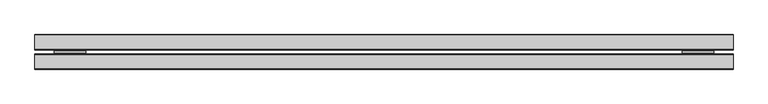
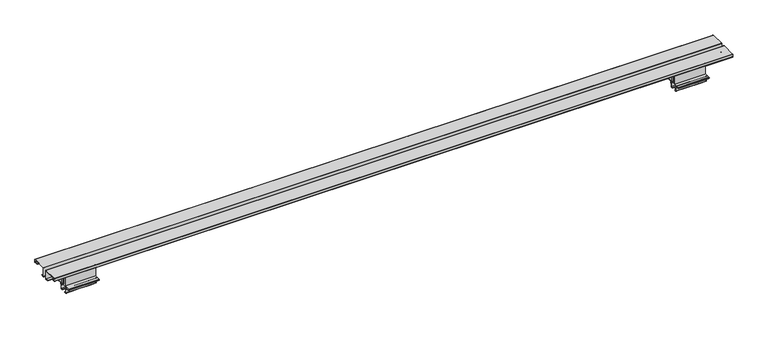
"""IFC4 building model written with IfcOpenShell, lengths in millimetres: furniture geometry."""

from ifc_helpers import new_model, si_unit, point, frame, frame_2d, origin, place, context, project, spatial, polyline, circle_curve, trimmed, segment, composite_curve, outline, extrude, source, transform, mapped, element, save
from ifc_brep_helpers import plane_surface, cylinder_surface, revolved_surface, advanced_brep


def furniture_54906576(model_context):
    return source(origin(), model_context, "Body", "SolidModel", [
        extrude(outline(composite_curve([segment(polyline([(-46.1411741, 702.8916589), (-52.5216442, 702.8916589), (-52.5216442, 703.6790589), (-46.1411741, 703.6790589)]), True, "CONTINUOUS"), segment(trimmed(circle_curve(frame_2d((-46.1411741, 702.0331315)), 1.6459275), [point((-46.1411741, 703.6790589))], [point((-44.4952466, 702.0331315))], False, "CARTESIAN"), True, "CONTINUOUS"), segment(polyline([(-44.4952466, 702.0331315), (-44.4952466, 697.8070787), (-42.3108667, 693.0826267), (-42.3108667, 676.9328601), (-35.9226813, 676.9328601), (-35.9226813, 693.0826267), (-33.7383014, 697.8070787), (-33.7383014, 702.0331315)]), True, "CONTINUOUS"), segment(trimmed(circle_curve(frame_2d((-32.0923739, 702.0331315)), 1.6459275), [point((-33.7383014, 702.0331315))], [point((-32.0923739, 703.6790589))], False, "CARTESIAN"), True, "CONTINUOUS"), segment(polyline([(-32.0923739, 703.6790589), (-25.7119037, 703.6790589), (-25.7119037, 702.8916589), (-32.0923739, 702.8916589)]), True, "CONTINUOUS"), segment(trimmed(circle_curve(frame_2d((-32.0923739, 702.0331315)), 0.8585275), [point((-32.0923739, 702.8916589))], [point((-32.9509014, 702.0331315))], True, "CARTESIAN"), True, "CONTINUOUS"), segment(polyline([(-32.9509014, 702.0331315), (-32.9509014, 675.9168565), (-45.2826466, 675.9168565), (-45.2826466, 702.0331315)]), True, "CONTINUOUS"), segment(trimmed(circle_curve(frame_2d((-46.1411741, 702.0331315)), 0.8585275), [point((-45.2826466, 702.0331315))], [point((-46.1411741, 702.8916589))], True, "CARTESIAN"), True, "CONTINUOUS")], self_intersect=False)), frame((1412.7479964, 0.0, 0.0), z_axis=(1.0, 0.0, 0.0), x_axis=(0.0, 1.0, 0.0)), (0.0, 0.0, 1.0), 68.5800073),
        advanced_brep(
        [(1481.3280036, -43.8856479, 660.829258), (1481.3280036, -43.8856479, 661.616658), (1481.3280036, -47.4162484, 661.616658), (1481.3280036, -47.4162484, 669.6106033), (1481.3280036, -48.2566383, 671.0661978), (1481.3280036, -49.1307467, 671.5708621), (1481.3280036, -49.1307467, 673.5566648), (1481.3280036, -50.5257409, 674.9516589), (1481.3280036, -56.9931108, 674.9516589), (1481.3280036, -57.8998062, 674.1352668), (1481.3280036, -58.5922468, 675.1241745), (1481.3280036, -58.5922468, 675.9168565), (1481.3280036, -19.6540457, 675.9168565), (1481.3280036, -19.6540457, 675.1059735), (1481.3280036, -20.3337418, 674.1352668), (1481.3280036, -21.2404371, 674.9516589), (1481.3280036, -27.8273525, 674.9516589), (1481.3280036, -29.1155469, 673.6634645), (1481.3280036, -29.1155469, 671.5708621), (1481.3280036, -30.0322406, 671.0416113), (1481.3280036, -30.8300452, 669.6597765), (1481.3280036, -30.8300452, 661.616658), (1481.3280036, -34.3606457, 661.616658), (1481.3280036, -34.3606457, 660.829258), (1481.3280036, -30.560857, 660.829258), (1481.3280036, -30.0426452, 661.3474698), (1481.3280036, -30.0426452, 669.6597765), (1481.3280036, -29.6385421, 670.359702), (1481.3280036, -28.7038003, 670.8993728), (1481.3280036, -28.3281469, 671.5500221), (1481.3280036, -28.3281469, 673.6634645), (1481.3280036, -27.8273525, 674.1642589), (1481.3280036, -21.5426917, 674.1642589), (1481.3280036, -20.7678586, 673.4665961), (1481.3280036, -19.8407122, 673.4665961), (1481.3280036, -18.8666457, 674.8577072), (1481.3280036, -18.8666457, 676.2049721), (1481.3280036, -19.36593, 676.7042565), (1481.3280036, -58.8676179, 676.7042565), (1481.3280036, -59.3796468, 676.1922276), (1481.3280036, -59.3796468, 674.8759082), (1481.3280036, -58.3928358, 673.4665961), (1481.3280036, -57.4656894, 673.4665961), (1481.3280036, -56.6908563, 674.1642589), (1481.3280036, -50.5257409, 674.1642589), (1481.3280036, -49.9181467, 673.5566648), (1481.3280036, -49.9181467, 671.5886146), (1481.3280036, -49.5090711, 670.8800766), (1481.3280036, -48.6503368, 670.3842885), (1481.3280036, -48.2036484, 669.6106033), (1481.3280036, -48.2036484, 661.2102576), (1481.3280036, -47.672691, 660.829258), (1412.7479964, -43.8856479, 660.829258), (1412.7479964, -47.672691, 660.829258), (1412.7479964, -48.1909027, 661.3474698), (1412.7479964, -48.2036484, 669.6106033), (1412.7479964, -48.6503368, 670.3842885), (1412.7479964, -49.5090711, 670.8800766), (1412.7479964, -49.9181467, 671.5886146), (1412.7479964, -49.9181467, 673.5566648), (1412.7479964, -50.5257409, 674.1642589), (1412.7479964, -56.6908563, 674.1642589), (1412.7479964, -57.4656894, 673.4665961), (1412.7479964, -58.3928358, 673.4665961), (1412.7479964, -59.3796468, 674.8759082), (1412.7479964, -59.3796468, 676.1922276), (1412.7479964, -58.8676179, 676.7042565), (1412.7479964, -19.36593, 676.7042565), (1412.7479964, -18.8666457, 676.2049721), (1412.7479964, -18.8666457, 674.8577072), (1412.7479964, -19.8407122, 673.4665961), (1412.7479964, -20.7678586, 673.4665961), (1412.7479964, -21.5426917, 674.1642589), (1412.7479964, -27.8273525, 674.1642589), (1412.7479964, -28.3281469, 673.6634645), (1412.7479964, -28.3281469, 671.5500221), (1412.7479964, -28.7038003, 670.8993728), (1412.7479964, -29.6385421, 670.359702), (1412.7479964, -30.0426452, 669.6597765), (1412.7479964, -30.0426452, 661.3474698), (1412.7479964, -30.560857, 660.829258), (1412.7479964, -34.3606457, 660.829258), (1412.7479964, -34.3606457, 661.616658), (1412.7479964, -30.8300452, 661.616658), (1412.7479964, -30.8300452, 669.6597765), (1412.7479964, -30.0322406, 671.0416113), (1412.7479964, -29.1155469, 671.5708621), (1412.7479964, -29.1155469, 673.6634645), (1412.7479964, -27.8273525, 674.9516589), (1412.7479964, -21.2404371, 674.9516589), (1412.7479964, -20.3337418, 674.1352668), (1412.7479964, -19.6540457, 675.1059735), (1412.7479964, -19.6540457, 675.9168565), (1412.7479964, -58.5922468, 675.9168565), (1412.7479964, -58.5922468, 675.1241745), (1412.7479964, -57.8998062, 674.1352668), (1412.7479964, -56.9931108, 674.9516589), (1412.7479964, -50.5257409, 674.9516589), (1412.7479964, -49.1307467, 673.5566648), (1412.7479964, -49.1307467, 671.5708621), (1412.7479964, -48.2566383, 671.0661978), (1412.7479964, -47.4162484, 669.6106033), (1412.7479964, -47.4162484, 661.616658), (1412.7479964, -43.8856479, 661.616658)],
        [
            (0, 1),
            (1, 2),
            (2, 3),
            (3, 4, circle_curve(frame((1481.3280036, -49.097022, 669.6106033), z_axis=(1.0, 0.0, 0.0), x_axis=(0.0, 1.0, 0.0)), 1.6807736)),
            (4, 5),
            (5, 6),
            (6, 7, circle_curve(frame((1481.3280036, -50.5257409, 673.5566648), z_axis=(1.0, 0.0, 0.0), x_axis=(0.0, 1.0, 0.0)), 1.3949941)),
            (7, 8),
            (8, 9),
            (9, 10),
            (10, 11),
            (11, 12),
            (12, 13),
            (13, 14),
            (14, 15),
            (15, 16),
            (16, 17, circle_curve(frame((1481.3280036, -27.8273525, 673.6634645), z_axis=(1.0, 0.0, 0.0), x_axis=(0.0, 1.0, 0.0)), 1.2881944)),
            (17, 18),
            (18, 19),
            (19, 20, circle_curve(frame((1481.3280036, -29.2344419, 669.6597765), z_axis=(1.0, 0.0, 0.0), x_axis=(0.0, 1.0, 0.0)), 1.5956034)),
            (20, 21),
            (21, 22),
            (22, 23),
            (23, 24),
            (24, 25, circle_curve(frame((1481.3280036, -30.560857, 661.3474698), z_axis=(1.0, 0.0, 0.0), x_axis=(0.0, 1.0, 0.0)), 0.5182118)),
            (25, 26),
            (26, 27, circle_curve(frame((1481.3280036, -29.2344419, 669.6597765), z_axis=(-1.0, 0.0, 0.0), x_axis=(0.0, 1.0, 0.0)), 0.8082034)),
            (27, 28),
            (28, 29, circle_curve(frame((1481.3280036, -29.079451, 671.5500221), z_axis=(1.0, 0.0, 0.0), x_axis=(0.0, 1.0, 0.0)), 0.7513042)),
            (29, 30),
            (30, 31, circle_curve(frame((1481.3280036, -27.8273525, 673.6634645), z_axis=(-1.0, 0.0, 0.0), x_axis=(0.0, 1.0, 0.0)), 0.5007944)),
            (31, 32),
            (32, 33),
            (33, 34),
            (34, 35),
            (35, 36),
            (36, 37, circle_curve(frame((1481.3280036, -19.36593, 676.2049721), z_axis=(1.0, 0.0, 0.0), x_axis=(0.0, 1.0, 0.0)), 0.4992844)),
            (37, 38),
            (38, 39, circle_curve(frame((1481.3280036, -58.8676179, 676.1922276), z_axis=(1.0, 0.0, 0.0), x_axis=(0.0, 1.0, 0.0)), 0.5120288)),
            (39, 40),
            (40, 41),
            (41, 42),
            (42, 43),
            (43, 44),
            (44, 45, circle_curve(frame((1481.3280036, -50.5257409, 673.5566648), z_axis=(-1.0, 0.0, 0.0), x_axis=(0.0, 1.0, 0.0)), 0.6075941)),
            (45, 46),
            (46, 47, circle_curve(frame((1481.3280036, -49.0999985, 671.5886146), z_axis=(1.0, 0.0, 0.0), x_axis=(0.0, 1.0, 0.0)), 0.8181482)),
            (47, 48),
            (48, 49, circle_curve(frame((1481.3280036, -49.097022, 669.6106033), z_axis=(-1.0, 0.0, 0.0), x_axis=(0.0, 1.0, 0.0)), 0.8933736)),
            (49, 50),
            (50, 51, circle_curve(frame((1481.3280036, -47.672691, 661.3474698), z_axis=(1.0, 0.0, 0.0), x_axis=(0.0, 1.0, 0.0)), 0.5182118)),
            (51, 0),
            (52, 53),
            (53, 54, circle_curve(frame((1412.7479964, -47.672691, 661.3474698), z_axis=(-1.0, 0.0, 0.0), x_axis=(0.0, 1.0, 0.0)), 0.5182118)),
            (54, 55),
            (55, 56, circle_curve(frame((1412.7479964, -49.097022, 669.6106033), z_axis=(1.0, 0.0, 0.0), x_axis=(0.0, 1.0, 0.0)), 0.8933736)),
            (56, 57),
            (57, 58, circle_curve(frame((1412.7479964, -49.0999985, 671.5886146), z_axis=(-1.0, 0.0, 0.0), x_axis=(0.0, 1.0, 0.0)), 0.8181482)),
            (58, 59),
            (59, 60, circle_curve(frame((1412.7479964, -50.5257409, 673.5566648), z_axis=(1.0, 0.0, 0.0), x_axis=(0.0, 1.0, 0.0)), 0.6075941)),
            (60, 61),
            (61, 62),
            (62, 63),
            (63, 64),
            (64, 65),
            (65, 66, circle_curve(frame((1412.7479964, -58.8676179, 676.1922276), z_axis=(-1.0, 0.0, 0.0), x_axis=(0.0, 1.0, 0.0)), 0.5120288)),
            (66, 67),
            (67, 68, circle_curve(frame((1412.7479964, -19.36593, 676.2049721), z_axis=(-1.0, 0.0, 0.0), x_axis=(0.0, 1.0, 0.0)), 0.4992844)),
            (68, 69),
            (69, 70),
            (70, 71),
            (71, 72),
            (72, 73),
            (73, 74, circle_curve(frame((1412.7479964, -27.8273525, 673.6634645), z_axis=(1.0, 0.0, 0.0), x_axis=(0.0, 1.0, 0.0)), 0.5007944)),
            (74, 75),
            (75, 76, circle_curve(frame((1412.7479964, -29.079451, 671.5500221), z_axis=(-1.0, 0.0, 0.0), x_axis=(0.0, 1.0, 0.0)), 0.7513042)),
            (76, 77),
            (77, 78, circle_curve(frame((1412.7479964, -29.2344419, 669.6597765), z_axis=(1.0, 0.0, 0.0), x_axis=(0.0, 1.0, 0.0)), 0.8082034)),
            (78, 79),
            (79, 80, circle_curve(frame((1412.7479964, -30.560857, 661.3474698), z_axis=(-1.0, 0.0, 0.0), x_axis=(0.0, 1.0, 0.0)), 0.5182118)),
            (80, 81),
            (81, 82),
            (82, 83),
            (83, 84),
            (84, 85, circle_curve(frame((1412.7479964, -29.2344419, 669.6597765), z_axis=(-1.0, 0.0, 0.0), x_axis=(0.0, 1.0, 0.0)), 1.5956034)),
            (85, 86),
            (86, 87),
            (87, 88, circle_curve(frame((1412.7479964, -27.8273525, 673.6634645), z_axis=(-1.0, 0.0, 0.0), x_axis=(0.0, 1.0, 0.0)), 1.2881944)),
            (88, 89),
            (89, 90),
            (90, 91),
            (91, 92),
            (92, 93),
            (93, 94),
            (94, 95),
            (95, 96),
            (96, 97),
            (97, 98, circle_curve(frame((1412.7479964, -50.5257409, 673.5566648), z_axis=(-1.0, 0.0, 0.0), x_axis=(0.0, 1.0, 0.0)), 1.3949941)),
            (98, 99),
            (99, 100),
            (100, 101, circle_curve(frame((1412.7479964, -49.097022, 669.6106033), z_axis=(-1.0, 0.0, 0.0), x_axis=(0.0, 1.0, 0.0)), 1.6807736)),
            (101, 102),
            (102, 103),
            (103, 52),
            (51, 53),
            (52, 0),
            (50, 54),
            (49, 55),
            (48, 56),
            (47, 57),
            (46, 58),
            (45, 59),
            (44, 60),
            (43, 61),
            (42, 62),
            (41, 63),
            (40, 64),
            (39, 65),
            (38, 66),
            (37, 67),
            (36, 68),
            (35, 69),
            (34, 70),
            (33, 71),
            (32, 72),
            (31, 73),
            (30, 74),
            (29, 75),
            (28, 76),
            (27, 77),
            (26, 78),
            (25, 79),
            (24, 80),
            (23, 81),
            (22, 82),
            (21, 83),
            (20, 84),
            (19, 85),
            (18, 86),
            (17, 87),
            (16, 88),
            (15, 89),
            (14, 90),
            (13, 91),
            (12, 92),
            (11, 93),
            (10, 94),
            (9, 95),
            (8, 96),
            (7, 97),
            (6, 98),
            (5, 99),
            (4, 100),
            (3, 101),
            (2, 102),
            (1, 103),
        ],
        [
            plane_surface(frame((1481.3280036, -39.1358447, 638.40105), z_axis=(1.0, 0.0, 0.0), x_axis=(0.0, 0.0, 1.0))),
            plane_surface(frame((1412.7479964, -39.1358447, 638.40105), z_axis=(-1.0, 0.0, 0.0), x_axis=(0.0, 0.0, 1.0))),
            plane_surface(frame((1481.3280036, -43.8856479, 660.829258), z_axis=(0.0, 0.0, -1.0), x_axis=(-1.0, 0.0, 0.0))),
            cylinder_surface(frame((1481.3280036, -47.672691, 661.3474698), z_axis=(1.0, 0.0, 0.0), x_axis=(0.0, 1.0, 0.0)), 0.5182118),
            plane_surface(frame((1481.3280036, -48.2036484, 661.2102576), z_axis=(0.0, -1.0, 0.0), x_axis=(-1.0, 0.0, 0.0))),
            revolved_surface(polyline([(1412.7479964, -48.203648400000006, 669.6106033), (1481.3280036, -48.203648400000006, 669.6106033)]), (1481.3280036, -49.097022, 669.6106033), (-1.0, 0.0, 0.0)),
            plane_surface(frame((1481.3280036, -48.6503368, 670.3842885), z_axis=(0.0, -0.49999817066287033, -0.8660264599501468), x_axis=(-1.0, 0.0, 0.0))),
            cylinder_surface(frame((1481.3280036, -49.0999985, 671.5886146), z_axis=(1.0, 0.0, 0.0), x_axis=(0.0, 1.0, 0.0)), 0.8181482),
            plane_surface(frame((1481.3280036, -49.9181467, 671.5886146), z_axis=(0.0, -1.0, 0.0), x_axis=(-1.0, 0.0, 0.0))),
            revolved_surface(polyline([(1412.7479964, -49.9181468, 673.5566648), (1481.3280036, -49.9181468, 673.5566648)]), (1481.3280036, -50.5257409, 673.5566648), (-1.0, 0.0, 0.0)),
            plane_surface(frame((1481.3280036, -50.5257409, 674.1642589), z_axis=(0.0, 0.0, -1.0), x_axis=(-1.0, 0.0, 0.0))),
            plane_surface(frame((1481.3280036, -56.6908563, 674.1642589), z_axis=(0.0, 0.6691306063588597, -0.743144825477393), x_axis=(-1.0, 0.0, 0.0))),
            plane_surface(frame((1481.3280036, -57.4656894, 673.4665961), z_axis=(0.0, 0.0, -1.0), x_axis=(-1.0, 0.0, 0.0))),
            plane_surface(frame((1481.3280036, -58.3928358, 673.4665961), z_axis=(0.0, -0.8191520442889919, -0.5735764363510462), x_axis=(-1.0, 0.0, 0.0))),
            plane_surface(frame((1481.3280036, -59.3796468, 674.8759082), z_axis=(0.0, -1.0, 0.0), x_axis=(-1.0, 0.0, 0.0))),
            cylinder_surface(frame((1481.3280036, -58.8676179, 676.1922276), z_axis=(1.0, 0.0, 0.0), x_axis=(0.0, 1.0, 0.0)), 0.5120288),
            plane_surface(frame((1481.3280036, -58.8676179, 676.7042565), z_axis=(0.0, 0.0, 1.0), x_axis=(-1.0, 0.0, 0.0))),
            cylinder_surface(frame((1481.3280036, -19.36593, 676.2049721), z_axis=(1.0, 0.0, 0.0), x_axis=(0.0, 1.0, 0.0)), 0.4992844),
            plane_surface(frame((1481.3280036, -18.8666457, 676.2049721), z_axis=(0.0, 1.0, 0.0), x_axis=(-1.0, 0.0, 0.0))),
            plane_surface(frame((1481.3280036, -18.8666457, 674.8577072), z_axis=(0.0, 0.8191520442889919, -0.5735764363510462), x_axis=(-1.0, 0.0, 0.0))),
            plane_surface(frame((1481.3280036, -19.8407122, 673.4665961), z_axis=(0.0, 0.0, -1.0), x_axis=(-1.0, 0.0, 0.0))),
            plane_surface(frame((1481.3280036, -20.7678586, 673.4665961), z_axis=(0.0, -0.6691306063588597, -0.743144825477393), x_axis=(-1.0, 0.0, 0.0))),
            plane_surface(frame((1481.3280036, -21.5426917, 674.1642589), z_axis=(0.0, 0.0, -1.0), x_axis=(-1.0, 0.0, 0.0))),
            revolved_surface(polyline([(1412.7479964, -27.3265581, 673.6634645), (1481.3280036, -27.3265581, 673.6634645)]), (1481.3280036, -27.8273525, 673.6634645), (-1.0, 0.0, 0.0)),
            plane_surface(frame((1481.3280036, -28.3281469, 673.6634645), z_axis=(0.0, 1.0, 0.0), x_axis=(-1.0, 0.0, 0.0))),
            cylinder_surface(frame((1481.3280036, -29.079451, 671.5500221), z_axis=(1.0, 0.0, 0.0), x_axis=(0.0, 1.0, 0.0)), 0.7513042),
            plane_surface(frame((1481.3280036, -28.7038003, 670.8993728), z_axis=(0.0, 0.49999817066287033, -0.8660264599501468), x_axis=(-1.0, 0.0, 0.0))),
            revolved_surface(polyline([(1412.7479964, -28.4262385, 669.6597765), (1481.3280036, -28.4262385, 669.6597765)]), (1481.3280036, -29.2344419, 669.6597765), (-1.0, 0.0, 0.0)),
            plane_surface(frame((1481.3280036, -30.0426452, 669.6597765), z_axis=(0.0, 1.0, 0.0), x_axis=(-1.0, 0.0, 0.0))),
            cylinder_surface(frame((1481.3280036, -30.560857, 661.3474698), z_axis=(1.0, 0.0, 0.0), x_axis=(0.0, 1.0, 0.0)), 0.5182118),
            plane_surface(frame((1481.3280036, -30.560857, 660.829258), z_axis=(0.0, 0.0, -1.0), x_axis=(-1.0, 0.0, 0.0))),
            plane_surface(frame((1481.3280036, -34.3606457, 660.829258), z_axis=(0.0, -1.0, 0.0), x_axis=(-1.0, 0.0, 0.0))),
            plane_surface(frame((1481.3280036, -34.3606457, 661.616658), z_axis=(0.0, 0.0, 1.0), x_axis=(-1.0, 0.0, 0.0))),
            plane_surface(frame((1481.3280036, -30.8300452, 661.616658), z_axis=(0.0, -1.0, 0.0), x_axis=(-1.0, 0.0, 0.0))),
            cylinder_surface(frame((1481.3280036, -29.2344419, 669.6597765), z_axis=(1.0, 0.0, 0.0), x_axis=(0.0, 1.0, 0.0)), 1.5956034),
            plane_surface(frame((1481.3280036, -30.0322406, 671.0416113), z_axis=(0.0, -0.4999981706628693, 0.8660264599501475), x_axis=(-1.0, 0.0, 0.0))),
            plane_surface(frame((1481.3280036, -29.1155469, 671.5708621), z_axis=(0.0, -1.0, 0.0), x_axis=(-1.0, 0.0, 0.0))),
            cylinder_surface(frame((1481.3280036, -27.8273525, 673.6634645), z_axis=(1.0, 0.0, 0.0), x_axis=(0.0, 1.0, 0.0)), 1.2881944),
            plane_surface(frame((1481.3280036, -27.8273525, 674.9516589), z_axis=(0.0, 0.0, 1.0), x_axis=(-1.0, 0.0, 0.0))),
            plane_surface(frame((1481.3280036, -21.2404371, 674.9516589), z_axis=(0.0, 0.6691306063588597, 0.743144825477393), x_axis=(-1.0, 0.0, 0.0))),
            plane_surface(frame((1481.3280036, -20.3337418, 674.1352668), z_axis=(0.0, -0.819152044288992, 0.5735764363510457), x_axis=(-1.0, 0.0, 0.0))),
            plane_surface(frame((1481.3280036, -19.6540457, 675.1059735), z_axis=(0.0, -1.0, 0.0), x_axis=(-1.0, 0.0, 0.0))),
            plane_surface(frame((1481.3280036, -19.6540457, 675.9168565), z_axis=(0.0, 0.0, -1.0), x_axis=(-1.0, 0.0, 0.0))),
            plane_surface(frame((1481.3280036, -58.5922468, 675.9168565), z_axis=(0.0, 1.0, 0.0), x_axis=(-1.0, 0.0, 0.0))),
            plane_surface(frame((1481.3280036, -58.5922468, 675.1241745), z_axis=(0.0, 0.8191520442889909, 0.5735764363510474), x_axis=(-1.0, 0.0, 0.0))),
            plane_surface(frame((1481.3280036, -57.8998062, 674.1352668), z_axis=(0.0, -0.6691306063588597, 0.743144825477393), x_axis=(-1.0, 0.0, 0.0))),
            plane_surface(frame((1481.3280036, -56.9931108, 674.9516589), z_axis=(0.0, 0.0, 1.0), x_axis=(-1.0, 0.0, 0.0))),
            cylinder_surface(frame((1481.3280036, -50.5257409, 673.5566648), z_axis=(1.0, 0.0, 0.0), x_axis=(0.0, 1.0, 0.0)), 1.3949941),
            plane_surface(frame((1481.3280036, -49.1307467, 673.5566648), z_axis=(0.0, 1.0, 0.0), x_axis=(-1.0, 0.0, 0.0))),
            plane_surface(frame((1481.3280036, -49.1307467, 671.5708621), z_axis=(0.0, 0.49999817066287294, 0.8660264599501454), x_axis=(-1.0, 0.0, 0.0))),
            cylinder_surface(frame((1481.3280036, -49.097022, 669.6106033), z_axis=(1.0, 0.0, 0.0), x_axis=(0.0, 1.0, 0.0)), 1.6807736),
            plane_surface(frame((1481.3280036, -47.4162484, 669.6106033), z_axis=(0.0, 1.0, 0.0), x_axis=(-1.0, 0.0, 0.0))),
            plane_surface(frame((1481.3280036, -47.4162484, 661.616658), z_axis=(0.0, 0.0, 1.0), x_axis=(-1.0, 0.0, 0.0))),
            plane_surface(frame((1481.3280036, -43.8856479, 661.616658), z_axis=(0.0, 1.0, 0.0), x_axis=(-1.0, 0.0, 0.0))),
        ],
        [
            (0, [[1, 2, 3, 4, 5, 6, 7, 8, 9, 10, 11, 12, 13, 14, 15, 16, 17, 18, 19, 20, 21, 22, 23, 24, 25, 26, 27, 28, 29, 30, 31, 32, 33, 34, 35, 36, 37, 38, 39, 40, 41, 42, 43, 44, 45, 46, 47, 48, 49, 50, 51, 52]]),
            (1, [[53, 54, 55, 56, 57, 58, 59, 60, 61, 62, 63, 64, 65, 66, 67, 68, 69, 70, 71, 72, 73, 74, 75, 76, 77, 78, 79, 80, 81, 82, 83, 84, 85, 86, 87, 88, 89, 90, 91, 92, 93, 94, 95, 96, 97, 98, 99, 100, 101, 102, 103, 104]]),
            (2, [[105, -53, 106, -52]]),
            (3, [[107, -54, -105, -51]]),
            (4, [[108, -55, -107, -50]]),
            (5, [[109, -56, -108, -49]]),
            (6, [[110, -57, -109, -48]]),
            (7, [[111, -58, -110, -47]]),
            (8, [[112, -59, -111, -46]]),
            (9, [[113, -60, -112, -45]]),
            (10, [[114, -61, -113, -44]]),
            (11, [[115, -62, -114, -43]]),
            (12, [[116, -63, -115, -42]]),
            (13, [[117, -64, -116, -41]]),
            (14, [[118, -65, -117, -40]]),
            (15, [[119, -66, -118, -39]]),
            (16, [[120, -67, -119, -38]]),
            (17, [[121, -68, -120, -37]]),
            (18, [[122, -69, -121, -36]]),
            (19, [[123, -70, -122, -35]]),
            (20, [[124, -71, -123, -34]]),
            (21, [[125, -72, -124, -33]]),
            (22, [[126, -73, -125, -32]]),
            (23, [[127, -74, -126, -31]]),
            (24, [[128, -75, -127, -30]]),
            (25, [[129, -76, -128, -29]]),
            (26, [[130, -77, -129, -28]]),
            (27, [[131, -78, -130, -27]]),
            (28, [[132, -79, -131, -26]]),
            (29, [[133, -80, -132, -25]]),
            (30, [[134, -81, -133, -24]]),
            (31, [[135, -82, -134, -23]]),
            (32, [[136, -83, -135, -22]]),
            (33, [[137, -84, -136, -21]]),
            (34, [[138, -85, -137, -20]]),
            (35, [[139, -86, -138, -19]]),
            (36, [[140, -87, -139, -18]]),
            (37, [[141, -88, -140, -17]]),
            (38, [[142, -89, -141, -16]]),
            (39, [[143, -90, -142, -15]]),
            (40, [[144, -91, -143, -14]]),
            (41, [[145, -92, -144, -13]]),
            (42, [[146, -93, -145, -12]]),
            (43, [[147, -94, -146, -11]]),
            (44, [[148, -95, -147, -10]]),
            (45, [[149, -96, -148, -9]]),
            (46, [[150, -97, -149, -8]]),
            (47, [[151, -98, -150, -7]]),
            (48, [[152, -99, -151, -6]]),
            (49, [[153, -100, -152, -5]]),
            (50, [[154, -101, -153, -4]]),
            (51, [[155, -102, -154, -3]]),
            (52, [[156, -103, -155, -2]]),
            (53, [[-106, -104, -156, -1]]),
        ],
    ),
        extrude(outline(composite_curve([segment(polyline([(-46.1411741, 702.8916589), (-52.5216442, 702.8916589), (-52.5216442, 703.6790589), (-46.1411741, 703.6790589)]), True, "CONTINUOUS"), segment(trimmed(circle_curve(frame_2d((-46.1411741, 702.0331315)), 1.6459275), [point((-46.1411741, 703.6790589))], [point((-44.4952466, 702.0331315))], False, "CARTESIAN"), True, "CONTINUOUS"), segment(polyline([(-44.4952466, 702.0331315), (-44.4952466, 697.8070787), (-42.3108667, 693.0826267), (-42.3108667, 676.9328601), (-35.9226813, 676.9328601), (-35.9226813, 693.0826267), (-33.7383014, 697.8070787), (-33.7383014, 702.0331315)]), True, "CONTINUOUS"), segment(trimmed(circle_curve(frame_2d((-32.0923739, 702.0331315)), 1.6459275), [point((-33.7383014, 702.0331315))], [point((-32.0923739, 703.6790589))], False, "CARTESIAN"), True, "CONTINUOUS"), segment(polyline([(-32.0923739, 703.6790589), (-25.7119037, 703.6790589), (-25.7119037, 702.8916589), (-32.0923739, 702.8916589)]), True, "CONTINUOUS"), segment(trimmed(circle_curve(frame_2d((-32.0923739, 702.0331315)), 0.8585275), [point((-32.0923739, 702.8916589))], [point((-32.9509014, 702.0331315))], True, "CARTESIAN"), True, "CONTINUOUS"), segment(polyline([(-32.9509014, 702.0331315), (-32.9509014, 675.9168565), (-45.2826466, 675.9168565), (-45.2826466, 702.0331315)]), True, "CONTINUOUS"), segment(trimmed(circle_curve(frame_2d((-46.1411741, 702.0331315)), 0.8585275), [point((-45.2826466, 702.0331315))], [point((-46.1411741, 702.8916589))], True, "CARTESIAN"), True, "CONTINUOUS")], self_intersect=False)), frame((42.6719964, 0.0, 0.0), z_axis=(1.0, 0.0, 0.0), x_axis=(0.0, 1.0, 0.0)), (0.0, 0.0, 1.0), 68.5800073),
        advanced_brep(
        [(42.6719964, -43.8856479, 660.829258), (42.6719964, -47.672691, 660.829258), (42.6719964, -48.1909027, 661.3474698), (42.6719964, -48.2036484, 669.6106033), (42.6719964, -48.6503368, 670.3842885), (42.6719964, -49.5090711, 670.8800766), (42.6719964, -49.9181467, 671.5886146), (42.6719964, -49.9181467, 673.5566648), (42.6719964, -50.5257409, 674.1642589), (42.6719964, -56.6908563, 674.1642589), (42.6719964, -57.4656894, 673.4665961), (42.6719964, -58.3928358, 673.4665961), (42.6719964, -59.3796468, 674.8759082), (42.6719964, -59.3796468, 676.1922276), (42.6719964, -58.8676179, 676.7042565), (42.6719964, -19.36593, 676.7042565), (42.6719964, -18.8666457, 676.2049721), (42.6719964, -18.8666457, 674.8577072), (42.6719964, -19.8407122, 673.4665961), (42.6719964, -20.7678586, 673.4665961), (42.6719964, -21.5426917, 674.1642589), (42.6719964, -27.8273525, 674.1642589), (42.6719964, -28.3281469, 673.6634645), (42.6719964, -28.3281469, 671.5500221), (42.6719964, -28.7038003, 670.8993728), (42.6719964, -29.6385421, 670.359702), (42.6719964, -30.0426452, 669.6597765), (42.6719964, -30.0426452, 661.3474698), (42.6719964, -30.560857, 660.829258), (42.6719964, -34.3606457, 660.829258), (42.6719964, -34.3606457, 661.616658), (42.6719964, -30.8300452, 661.616658), (42.6719964, -30.8300452, 669.6597765), (42.6719964, -30.0322406, 671.0416113), (42.6719964, -29.1155469, 671.5708621), (42.6719964, -29.1155469, 673.6634645), (42.6719964, -27.8273525, 674.9516589), (42.6719964, -21.2404371, 674.9516589), (42.6719964, -20.3337418, 674.1352668), (42.6719964, -19.6540457, 675.1059735), (42.6719964, -19.6540457, 675.9168565), (42.6719964, -58.5922468, 675.9168565), (42.6719964, -58.5922468, 675.1241745), (42.6719964, -57.8998062, 674.1352668), (42.6719964, -56.9931108, 674.9516589), (42.6719964, -50.5257409, 674.9516589), (42.6719964, -49.1307467, 673.5566648), (42.6719964, -49.1307467, 671.5708621), (42.6719964, -48.2566383, 671.0661978), (42.6719964, -47.4162484, 669.6106033), (42.6719964, -47.4162484, 661.616658), (42.6719964, -43.8856479, 661.616658), (111.2520036, -43.8856479, 660.829258), (111.2520036, -43.8856479, 661.616658), (111.2520036, -47.4162484, 661.616658), (111.2520036, -47.4162484, 669.6106033), (111.2520036, -48.2566383, 671.0661978), (111.2520036, -49.1307467, 671.5708621), (111.2520036, -49.1307467, 673.5566648), (111.2520036, -50.5257409, 674.9516589), (111.2520036, -56.9931108, 674.9516589), (111.2520036, -57.8998062, 674.1352668), (111.2520036, -58.5922468, 675.1241745), (111.2520036, -58.5922468, 675.9168565), (111.2520036, -19.6540457, 675.9168565), (111.2520036, -19.6540457, 675.1059735), (111.2520036, -20.3337418, 674.1352668), (111.2520036, -21.2404371, 674.9516589), (111.2520036, -27.8273525, 674.9516589), (111.2520036, -29.1155469, 673.6634645), (111.2520036, -29.1155469, 671.5708621), (111.2520036, -30.0322406, 671.0416113), (111.2520036, -30.8300452, 669.6597765), (111.2520036, -30.8300452, 661.616658), (111.2520036, -34.3606457, 661.616658), (111.2520036, -34.3606457, 660.829258), (111.2520036, -30.560857, 660.829258), (111.2520036, -30.0426452, 661.3474698), (111.2520036, -30.0426452, 669.6597765), (111.2520036, -29.6385421, 670.359702), (111.2520036, -28.7038003, 670.8993728), (111.2520036, -28.3281469, 671.5500221), (111.2520036, -28.3281469, 673.6634645), (111.2520036, -27.8273525, 674.1642589), (111.2520036, -21.5426917, 674.1642589), (111.2520036, -20.7678586, 673.4665961), (111.2520036, -19.8407122, 673.4665961), (111.2520036, -18.8666457, 674.8577072), (111.2520036, -18.8666457, 676.2049721), (111.2520036, -19.36593, 676.7042565), (111.2520036, -58.8676179, 676.7042565), (111.2520036, -59.3796468, 676.1922276), (111.2520036, -59.3796468, 674.8759082), (111.2520036, -58.3928358, 673.4665961), (111.2520036, -57.4656894, 673.4665961), (111.2520036, -56.6908563, 674.1642589), (111.2520036, -50.5257409, 674.1642589), (111.2520036, -49.9181467, 673.5566648), (111.2520036, -49.9181467, 671.5886146), (111.2520036, -49.5090711, 670.8800766), (111.2520036, -48.6503368, 670.3842885), (111.2520036, -48.2036484, 669.6106033), (111.2520036, -48.2036484, 661.2102576), (111.2520036, -47.672691, 660.829258)],
        [
            (0, 1),
            (1, 2, circle_curve(frame((42.6719964, -47.672691, 661.3474698), z_axis=(-1.0, 0.0, 0.0), x_axis=(0.0, 1.0, 0.0)), 0.5182118)),
            (2, 3),
            (3, 4, circle_curve(frame((42.6719964, -49.097022, 669.6106033), z_axis=(1.0, 0.0, 0.0), x_axis=(0.0, 1.0, 0.0)), 0.8933736)),
            (4, 5),
            (5, 6, circle_curve(frame((42.6719964, -49.0999985, 671.5886146), z_axis=(-1.0, 0.0, 0.0), x_axis=(0.0, 1.0, 0.0)), 0.8181482)),
            (6, 7),
            (7, 8, circle_curve(frame((42.6719964, -50.5257409, 673.5566648), z_axis=(1.0, 0.0, 0.0), x_axis=(0.0, 1.0, 0.0)), 0.6075941)),
            (8, 9),
            (9, 10),
            (10, 11),
            (11, 12),
            (12, 13),
            (13, 14, circle_curve(frame((42.6719964, -58.8676179, 676.1922276), z_axis=(-1.0, 0.0, 0.0), x_axis=(0.0, 1.0, 0.0)), 0.5120288)),
            (14, 15),
            (15, 16, circle_curve(frame((42.6719964, -19.36593, 676.2049721), z_axis=(-1.0, 0.0, 0.0), x_axis=(0.0, 1.0, 0.0)), 0.4992844)),
            (16, 17),
            (17, 18),
            (18, 19),
            (19, 20),
            (20, 21),
            (21, 22, circle_curve(frame((42.6719964, -27.8273525, 673.6634645), z_axis=(1.0, 0.0, 0.0), x_axis=(0.0, 1.0, 0.0)), 0.5007944)),
            (22, 23),
            (23, 24, circle_curve(frame((42.6719964, -29.079451, 671.5500221), z_axis=(-1.0, 0.0, 0.0), x_axis=(0.0, 1.0, 0.0)), 0.7513042)),
            (24, 25),
            (25, 26, circle_curve(frame((42.6719964, -29.2344419, 669.6597765), z_axis=(1.0, 0.0, 0.0), x_axis=(0.0, 1.0, 0.0)), 0.8082034)),
            (26, 27),
            (27, 28, circle_curve(frame((42.6719964, -30.560857, 661.3474698), z_axis=(-1.0, 0.0, 0.0), x_axis=(0.0, 1.0, 0.0)), 0.5182118)),
            (28, 29),
            (29, 30),
            (30, 31),
            (31, 32),
            (32, 33, circle_curve(frame((42.6719964, -29.2344419, 669.6597765), z_axis=(-1.0, 0.0, 0.0), x_axis=(0.0, 1.0, 0.0)), 1.5956034)),
            (33, 34),
            (34, 35),
            (35, 36, circle_curve(frame((42.6719964, -27.8273525, 673.6634645), z_axis=(-1.0, 0.0, 0.0), x_axis=(0.0, 1.0, 0.0)), 1.2881944)),
            (36, 37),
            (37, 38),
            (38, 39),
            (39, 40),
            (40, 41),
            (41, 42),
            (42, 43),
            (43, 44),
            (44, 45),
            (45, 46, circle_curve(frame((42.6719964, -50.5257409, 673.5566648), z_axis=(-1.0, 0.0, 0.0), x_axis=(0.0, 1.0, 0.0)), 1.3949941)),
            (46, 47),
            (47, 48),
            (48, 49, circle_curve(frame((42.6719964, -49.097022, 669.6106033), z_axis=(-1.0, 0.0, 0.0), x_axis=(0.0, 1.0, 0.0)), 1.6807736)),
            (49, 50),
            (50, 51),
            (51, 0),
            (52, 53),
            (53, 54),
            (54, 55),
            (55, 56, circle_curve(frame((111.2520036, -49.097022, 669.6106033), z_axis=(1.0, 0.0, 0.0), x_axis=(0.0, 1.0, 0.0)), 1.6807736)),
            (56, 57),
            (57, 58),
            (58, 59, circle_curve(frame((111.2520036, -50.5257409, 673.5566648), z_axis=(1.0, 0.0, 0.0), x_axis=(0.0, 1.0, 0.0)), 1.3949941)),
            (59, 60),
            (60, 61),
            (61, 62),
            (62, 63),
            (63, 64),
            (64, 65),
            (65, 66),
            (66, 67),
            (67, 68),
            (68, 69, circle_curve(frame((111.2520036, -27.8273525, 673.6634645), z_axis=(1.0, 0.0, 0.0), x_axis=(0.0, 1.0, 0.0)), 1.2881944)),
            (69, 70),
            (70, 71),
            (71, 72, circle_curve(frame((111.2520036, -29.2344419, 669.6597765), z_axis=(1.0, 0.0, 0.0), x_axis=(0.0, 1.0, 0.0)), 1.5956034)),
            (72, 73),
            (73, 74),
            (74, 75),
            (75, 76),
            (76, 77, circle_curve(frame((111.2520036, -30.560857, 661.3474698), z_axis=(1.0, 0.0, 0.0), x_axis=(0.0, 1.0, 0.0)), 0.5182118)),
            (77, 78),
            (78, 79, circle_curve(frame((111.2520036, -29.2344419, 669.6597765), z_axis=(-1.0, 0.0, 0.0), x_axis=(0.0, 1.0, 0.0)), 0.8082034)),
            (79, 80),
            (80, 81, circle_curve(frame((111.2520036, -29.079451, 671.5500221), z_axis=(1.0, 0.0, 0.0), x_axis=(0.0, 1.0, 0.0)), 0.7513042)),
            (81, 82),
            (82, 83, circle_curve(frame((111.2520036, -27.8273525, 673.6634645), z_axis=(-1.0, 0.0, 0.0), x_axis=(0.0, 1.0, 0.0)), 0.5007944)),
            (83, 84),
            (84, 85),
            (85, 86),
            (86, 87),
            (87, 88),
            (88, 89, circle_curve(frame((111.2520036, -19.36593, 676.2049721), z_axis=(1.0, 0.0, 0.0), x_axis=(0.0, 1.0, 0.0)), 0.4992844)),
            (89, 90),
            (90, 91, circle_curve(frame((111.2520036, -58.8676179, 676.1922276), z_axis=(1.0, 0.0, 0.0), x_axis=(0.0, 1.0, 0.0)), 0.5120288)),
            (91, 92),
            (92, 93),
            (93, 94),
            (94, 95),
            (95, 96),
            (96, 97, circle_curve(frame((111.2520036, -50.5257409, 673.5566648), z_axis=(-1.0, 0.0, 0.0), x_axis=(0.0, 1.0, 0.0)), 0.6075941)),
            (97, 98),
            (98, 99, circle_curve(frame((111.2520036, -49.0999985, 671.5886146), z_axis=(1.0, 0.0, 0.0), x_axis=(0.0, 1.0, 0.0)), 0.8181482)),
            (99, 100),
            (100, 101, circle_curve(frame((111.2520036, -49.097022, 669.6106033), z_axis=(-1.0, 0.0, 0.0), x_axis=(0.0, 1.0, 0.0)), 0.8933736)),
            (101, 102),
            (102, 103, circle_curve(frame((111.2520036, -47.672691, 661.3474698), z_axis=(1.0, 0.0, 0.0), x_axis=(0.0, 1.0, 0.0)), 0.5182118)),
            (103, 52),
            (0, 52),
            (103, 1),
            (102, 2),
            (101, 3),
            (100, 4),
            (99, 5),
            (98, 6),
            (97, 7),
            (96, 8),
            (95, 9),
            (94, 10),
            (93, 11),
            (92, 12),
            (91, 13),
            (90, 14),
            (89, 15),
            (88, 16),
            (87, 17),
            (86, 18),
            (85, 19),
            (84, 20),
            (83, 21),
            (82, 22),
            (81, 23),
            (80, 24),
            (79, 25),
            (78, 26),
            (77, 27),
            (76, 28),
            (75, 29),
            (74, 30),
            (73, 31),
            (72, 32),
            (71, 33),
            (70, 34),
            (69, 35),
            (68, 36),
            (67, 37),
            (66, 38),
            (65, 39),
            (64, 40),
            (63, 41),
            (62, 42),
            (61, 43),
            (60, 44),
            (59, 45),
            (58, 46),
            (57, 47),
            (56, 48),
            (55, 49),
            (54, 50),
            (53, 51),
        ],
        [
            plane_surface(frame((42.6719964, -39.1358447, 638.40105), z_axis=(-1.0, 0.0, 0.0), x_axis=(0.0, 0.0, 1.0))),
            plane_surface(frame((111.2520036, -39.1358447, 638.40105), z_axis=(1.0, 0.0, 0.0), x_axis=(0.0, 0.0, 1.0))),
            plane_surface(frame((42.6719964, -43.8856479, 660.829258), z_axis=(0.0, 0.0, -1.0), x_axis=(1.0, 0.0, 0.0))),
            cylinder_surface(frame((42.6719964, -47.672691, 661.3474698), z_axis=(-1.0, 0.0, 0.0), x_axis=(0.0, 1.0, 0.0)), 0.5182118),
            plane_surface(frame((42.6719964, -48.2036484, 661.2102576), z_axis=(0.0, -1.0, 0.0), x_axis=(1.0, 0.0, 0.0))),
            revolved_surface(polyline([(111.2520036, -48.203648400000006, 669.6106033), (42.6719964, -48.203648400000006, 669.6106033)]), (42.6719964, -49.097022, 669.6106033), (1.0, 0.0, 0.0)),
            plane_surface(frame((42.6719964, -48.6503368, 670.3842885), z_axis=(0.0, -0.49999817066287033, -0.8660264599501468), x_axis=(1.0, 0.0, 0.0))),
            cylinder_surface(frame((42.6719964, -49.0999985, 671.5886146), z_axis=(-1.0, 0.0, 0.0), x_axis=(0.0, 1.0, 0.0)), 0.8181482),
            plane_surface(frame((42.6719964, -49.9181467, 671.5886146), z_axis=(0.0, -1.0, 0.0), x_axis=(1.0, 0.0, 0.0))),
            revolved_surface(polyline([(111.2520036, -49.9181468, 673.5566648), (42.6719964, -49.9181468, 673.5566648)]), (42.6719964, -50.5257409, 673.5566648), (1.0, 0.0, 0.0)),
            plane_surface(frame((42.6719964, -50.5257409, 674.1642589), z_axis=(0.0, 0.0, -1.0), x_axis=(1.0, 0.0, 0.0))),
            plane_surface(frame((42.6719964, -56.6908563, 674.1642589), z_axis=(0.0, 0.6691306063588597, -0.743144825477393), x_axis=(1.0, 0.0, 0.0))),
            plane_surface(frame((42.6719964, -57.4656894, 673.4665961), z_axis=(0.0, 0.0, -1.0), x_axis=(1.0, 0.0, 0.0))),
            plane_surface(frame((42.6719964, -58.3928358, 673.4665961), z_axis=(0.0, -0.8191520442889919, -0.5735764363510462), x_axis=(1.0, 0.0, 0.0))),
            plane_surface(frame((42.6719964, -59.3796468, 674.8759082), z_axis=(0.0, -1.0, 0.0), x_axis=(1.0, 0.0, 0.0))),
            cylinder_surface(frame((42.6719964, -58.8676179, 676.1922276), z_axis=(-1.0, 0.0, 0.0), x_axis=(0.0, 1.0, 0.0)), 0.5120288),
            plane_surface(frame((42.6719964, -58.8676179, 676.7042565), z_axis=(0.0, 0.0, 1.0), x_axis=(1.0, 0.0, 0.0))),
            cylinder_surface(frame((42.6719964, -19.36593, 676.2049721), z_axis=(-1.0, 0.0, 0.0), x_axis=(0.0, 1.0, 0.0)), 0.4992844),
            plane_surface(frame((42.6719964, -18.8666457, 676.2049721), z_axis=(0.0, 1.0, 0.0), x_axis=(1.0, 0.0, 0.0))),
            plane_surface(frame((42.6719964, -18.8666457, 674.8577072), z_axis=(0.0, 0.8191520442889919, -0.5735764363510462), x_axis=(1.0, 0.0, 0.0))),
            plane_surface(frame((42.6719964, -19.8407122, 673.4665961), z_axis=(0.0, 0.0, -1.0), x_axis=(1.0, 0.0, 0.0))),
            plane_surface(frame((42.6719964, -20.7678586, 673.4665961), z_axis=(0.0, -0.6691306063588597, -0.743144825477393), x_axis=(1.0, 0.0, 0.0))),
            plane_surface(frame((42.6719964, -21.5426917, 674.1642589), z_axis=(0.0, 0.0, -1.0), x_axis=(1.0, 0.0, 0.0))),
            revolved_surface(polyline([(111.2520036, -27.3265581, 673.6634645), (42.6719964, -27.3265581, 673.6634645)]), (42.6719964, -27.8273525, 673.6634645), (1.0, 0.0, 0.0)),
            plane_surface(frame((42.6719964, -28.3281469, 673.6634645), z_axis=(0.0, 1.0, 0.0), x_axis=(1.0, 0.0, 0.0))),
            cylinder_surface(frame((42.6719964, -29.079451, 671.5500221), z_axis=(-1.0, 0.0, 0.0), x_axis=(0.0, 1.0, 0.0)), 0.7513042),
            plane_surface(frame((42.6719964, -28.7038003, 670.8993728), z_axis=(0.0, 0.49999817066287033, -0.8660264599501468), x_axis=(1.0, 0.0, 0.0))),
            revolved_surface(polyline([(111.2520036, -28.4262385, 669.6597765), (42.6719964, -28.4262385, 669.6597765)]), (42.6719964, -29.2344419, 669.6597765), (1.0, 0.0, 0.0)),
            plane_surface(frame((42.6719964, -30.0426452, 669.6597765), z_axis=(0.0, 1.0, 0.0), x_axis=(1.0, 0.0, 0.0))),
            cylinder_surface(frame((42.6719964, -30.560857, 661.3474698), z_axis=(-1.0, 0.0, 0.0), x_axis=(0.0, 1.0, 0.0)), 0.5182118),
            plane_surface(frame((42.6719964, -30.560857, 660.829258), z_axis=(0.0, 0.0, -1.0), x_axis=(1.0, 0.0, 0.0))),
            plane_surface(frame((42.6719964, -34.3606457, 660.829258), z_axis=(0.0, -1.0, 0.0), x_axis=(1.0, 0.0, 0.0))),
            plane_surface(frame((42.6719964, -34.3606457, 661.616658), z_axis=(0.0, 0.0, 1.0), x_axis=(1.0, 0.0, 0.0))),
            plane_surface(frame((42.6719964, -30.8300452, 661.616658), z_axis=(0.0, -1.0, 0.0), x_axis=(1.0, 0.0, 0.0))),
            cylinder_surface(frame((42.6719964, -29.2344419, 669.6597765), z_axis=(-1.0, 0.0, 0.0), x_axis=(0.0, 1.0, 0.0)), 1.5956034),
            plane_surface(frame((42.6719964, -30.0322406, 671.0416113), z_axis=(0.0, -0.4999981706628693, 0.8660264599501475), x_axis=(1.0, 0.0, 0.0))),
            plane_surface(frame((42.6719964, -29.1155469, 671.5708621), z_axis=(0.0, -1.0, 0.0), x_axis=(1.0, 0.0, 0.0))),
            cylinder_surface(frame((42.6719964, -27.8273525, 673.6634645), z_axis=(-1.0, 0.0, 0.0), x_axis=(0.0, 1.0, 0.0)), 1.2881944),
            plane_surface(frame((42.6719964, -27.8273525, 674.9516589), z_axis=(0.0, 0.0, 1.0), x_axis=(1.0, 0.0, 0.0))),
            plane_surface(frame((42.6719964, -21.2404371, 674.9516589), z_axis=(0.0, 0.6691306063588597, 0.743144825477393), x_axis=(1.0, 0.0, 0.0))),
            plane_surface(frame((42.6719964, -20.3337418, 674.1352668), z_axis=(0.0, -0.819152044288992, 0.5735764363510457), x_axis=(1.0, 0.0, 0.0))),
            plane_surface(frame((42.6719964, -19.6540457, 675.1059735), z_axis=(0.0, -1.0, 0.0), x_axis=(1.0, 0.0, 0.0))),
            plane_surface(frame((42.6719964, -19.6540457, 675.9168565), z_axis=(0.0, 0.0, -1.0), x_axis=(1.0, 0.0, 0.0))),
            plane_surface(frame((42.6719964, -58.5922468, 675.9168565), z_axis=(0.0, 1.0, 0.0), x_axis=(1.0, 0.0, 0.0))),
            plane_surface(frame((42.6719964, -58.5922468, 675.1241745), z_axis=(0.0, 0.8191520442889909, 0.5735764363510474), x_axis=(1.0, 0.0, 0.0))),
            plane_surface(frame((42.6719964, -57.8998062, 674.1352668), z_axis=(0.0, -0.6691306063588597, 0.743144825477393), x_axis=(1.0, 0.0, 0.0))),
            plane_surface(frame((42.6719964, -56.9931108, 674.9516589), z_axis=(0.0, 0.0, 1.0), x_axis=(1.0, 0.0, 0.0))),
            cylinder_surface(frame((42.6719964, -50.5257409, 673.5566648), z_axis=(-1.0, 0.0, 0.0), x_axis=(0.0, 1.0, 0.0)), 1.3949941),
            plane_surface(frame((42.6719964, -49.1307467, 673.5566648), z_axis=(0.0, 1.0, 0.0), x_axis=(1.0, 0.0, 0.0))),
            plane_surface(frame((42.6719964, -49.1307467, 671.5708621), z_axis=(0.0, 0.49999817066287294, 0.8660264599501454), x_axis=(1.0, 0.0, 0.0))),
            cylinder_surface(frame((42.6719964, -49.097022, 669.6106033), z_axis=(-1.0, 0.0, 0.0), x_axis=(0.0, 1.0, 0.0)), 1.6807736),
            plane_surface(frame((42.6719964, -47.4162484, 669.6106033), z_axis=(0.0, 1.0, 0.0), x_axis=(1.0, 0.0, 0.0))),
            plane_surface(frame((42.6719964, -47.4162484, 661.616658), z_axis=(0.0, 0.0, 1.0), x_axis=(1.0, 0.0, 0.0))),
            plane_surface(frame((42.6719964, -43.8856479, 661.616658), z_axis=(0.0, 1.0, 0.0), x_axis=(1.0, 0.0, 0.0))),
        ],
        [
            (0, [[1, 2, 3, 4, 5, 6, 7, 8, 9, 10, 11, 12, 13, 14, 15, 16, 17, 18, 19, 20, 21, 22, 23, 24, 25, 26, 27, 28, 29, 30, 31, 32, 33, 34, 35, 36, 37, 38, 39, 40, 41, 42, 43, 44, 45, 46, 47, 48, 49, 50, 51, 52]]),
            (1, [[53, 54, 55, 56, 57, 58, 59, 60, 61, 62, 63, 64, 65, 66, 67, 68, 69, 70, 71, 72, 73, 74, 75, 76, 77, 78, 79, 80, 81, 82, 83, 84, 85, 86, 87, 88, 89, 90, 91, 92, 93, 94, 95, 96, 97, 98, 99, 100, 101, 102, 103, 104]]),
            (2, [[-1, 105, -104, 106]]),
            (3, [[-2, -106, -103, 107]]),
            (4, [[-3, -107, -102, 108]]),
            (5, [[-4, -108, -101, 109]]),
            (6, [[-5, -109, -100, 110]]),
            (7, [[-6, -110, -99, 111]]),
            (8, [[-7, -111, -98, 112]]),
            (9, [[-8, -112, -97, 113]]),
            (10, [[-9, -113, -96, 114]]),
            (11, [[-10, -114, -95, 115]]),
            (12, [[-11, -115, -94, 116]]),
            (13, [[-12, -116, -93, 117]]),
            (14, [[-13, -117, -92, 118]]),
            (15, [[-14, -118, -91, 119]]),
            (16, [[-15, -119, -90, 120]]),
            (17, [[-16, -120, -89, 121]]),
            (18, [[-17, -121, -88, 122]]),
            (19, [[-18, -122, -87, 123]]),
            (20, [[-19, -123, -86, 124]]),
            (21, [[-20, -124, -85, 125]]),
            (22, [[-21, -125, -84, 126]]),
            (23, [[-22, -126, -83, 127]]),
            (24, [[-23, -127, -82, 128]]),
            (25, [[-24, -128, -81, 129]]),
            (26, [[-25, -129, -80, 130]]),
            (27, [[-26, -130, -79, 131]]),
            (28, [[-27, -131, -78, 132]]),
            (29, [[-28, -132, -77, 133]]),
            (30, [[-29, -133, -76, 134]]),
            (31, [[-30, -134, -75, 135]]),
            (32, [[-31, -135, -74, 136]]),
            (33, [[-32, -136, -73, 137]]),
            (34, [[-33, -137, -72, 138]]),
            (35, [[-34, -138, -71, 139]]),
            (36, [[-35, -139, -70, 140]]),
            (37, [[-36, -140, -69, 141]]),
            (38, [[-37, -141, -68, 142]]),
            (39, [[-38, -142, -67, 143]]),
            (40, [[-39, -143, -66, 144]]),
            (41, [[-40, -144, -65, 145]]),
            (42, [[-41, -145, -64, 146]]),
            (43, [[-42, -146, -63, 147]]),
            (44, [[-43, -147, -62, 148]]),
            (45, [[-44, -148, -61, 149]]),
            (46, [[-45, -149, -60, 150]]),
            (47, [[-46, -150, -59, 151]]),
            (48, [[-47, -151, -58, 152]]),
            (49, [[-48, -152, -57, 153]]),
            (50, [[-49, -153, -56, 154]]),
            (51, [[-50, -154, -55, 155]]),
            (52, [[-51, -155, -54, 156]]),
            (53, [[-52, -156, -53, -105]]),
        ],
    ),
        extrude(outline(composite_curve([segment(polyline([(-76.9619989, 721.6876599), (-76.9619989, 727.4174318)]), True, "CONTINUOUS"), segment(trimmed(circle_curve(frame_2d((-76.3925707, 727.4174318)), 0.5694282), [point((-76.9619989, 727.4174318))], [point((-76.3925707, 727.98686))], False, "CARTESIAN"), True, "CONTINUOUS"), segment(polyline([(-76.3925707, 727.98686), (-44.2214, 727.98686)]), True, "CONTINUOUS"), segment(trimmed(circle_curve(frame_2d((-44.2214, 727.42806)), 0.5588), [point((-44.2214, 727.98686))], [point((-43.6626, 727.42806))], False, "CARTESIAN"), True, "CONTINUOUS"), segment(polyline([(-43.6626, 727.42806), (-43.6626, 707.2096589)]), True, "CONTINUOUS"), segment(trimmed(circle_curve(frame_2d((-44.2214, 707.2096589)), 0.5588), [point((-43.6626, 707.2096589))], [point((-44.2214, 706.6508589))], False, "CARTESIAN"), True, "CONTINUOUS"), segment(polyline([(-44.2214, 706.6508589), (-50.3935981, 706.6508589), (-50.3935981, 707.4382589), (-44.45, 707.4382589), (-44.45, 727.19946), (-76.1745989, 727.19946), (-76.1745989, 721.9162599), (-68.3894984, 721.9162599), (-68.3894984, 721.1288599), (-76.4031989, 721.1288599)]), True, "CONTINUOUS"), segment(trimmed(circle_curve(frame_2d((-76.4031989, 721.6876599)), 0.5588), [point((-76.4031989, 721.1288599))], [point((-76.9619989, 721.6876599))], False, "CARTESIAN"), True, "CONTINUOUS")], self_intersect=False)), frame((0.127, 0.0, 0.0), z_axis=(1.0, 0.0, 0.0), x_axis=(0.0, 1.0, 0.0)), (0.0, 0.0, 1.0), 1523.746),
        extrude(outline(composite_curve([segment(trimmed(circle_curve(frame_2d((-1.9359591, 721.6876599)), 0.5588), [point((-1.3771591, 721.6876599))], [point((-1.9359591, 721.1288599))], False, "CARTESIAN"), True, "CONTINUOUS"), segment(polyline([(-1.9359591, 721.1288599), (-9.9496595, 721.1288599), (-9.9496595, 721.9162599), (-2.1645591, 721.9162599), (-2.1645591, 727.19946), (-33.889158, 727.19946), (-33.889158, 707.4382589), (-27.9455599, 707.4382589), (-27.9455599, 706.6508589), (-34.117758, 706.6508589)]), True, "CONTINUOUS"), segment(trimmed(circle_curve(frame_2d((-34.117758, 707.2096589)), 0.5588), [point((-34.117758, 706.6508589))], [point((-34.676558, 707.2096589))], False, "CARTESIAN"), True, "CONTINUOUS"), segment(polyline([(-34.676558, 707.2096589), (-34.676558, 727.42806)]), True, "CONTINUOUS"), segment(trimmed(circle_curve(frame_2d((-34.117758, 727.42806)), 0.5588), [point((-34.676558, 727.42806))], [point((-34.117758, 727.98686))], False, "CARTESIAN"), True, "CONTINUOUS"), segment(polyline([(-34.117758, 727.98686), (-1.9465872, 727.98686)]), True, "CONTINUOUS"), segment(trimmed(circle_curve(frame_2d((-1.9465872, 727.4174318)), 0.5694282), [point((-1.9465872, 727.98686))], [point((-1.3771591, 727.4174318))], False, "CARTESIAN"), True, "CONTINUOUS"), segment(polyline([(-1.3771591, 727.4174318), (-1.3771591, 721.6876599)]), True, "CONTINUOUS")], self_intersect=False)), frame((0.127, 0.0, 0.0), z_axis=(1.0, 0.0, 0.0), x_axis=(0.0, 1.0, 0.0)), (0.0, 0.0, 1.0), 1523.746),
    ])


if __name__ == "__main__":
    model = new_model("IFC4")
    model_context = context("Model", 3, world=origin())
    ifc_project = project(units=[si_unit("LENGTHUNIT", "METRE", prefix="MILLI")], contexts=[model_context])
    site = spatial("IfcSite", under=ifc_project)
    building = spatial("IfcBuilding", under=site)
    placement = place(None, origin())
    furniture_shape = furniture_54906576(model_context)
    element("IfcFurniture", 1, at=placement, inside=building, context=model_context, shape_type="MappedRepresentation", body=[
        mapped(furniture_shape, transform((0.0, 0.0, 0.0), x_axis=(1.0, 0.0, 0.0), y_axis=(0.0, 1.0, 0.0), z_axis=(0.0, 0.0, 1.0))),
    ])
    save(model, "model.ifc")
